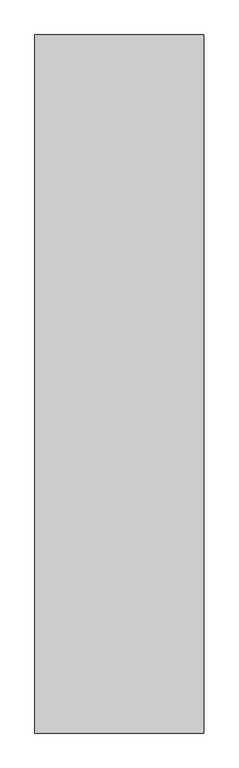
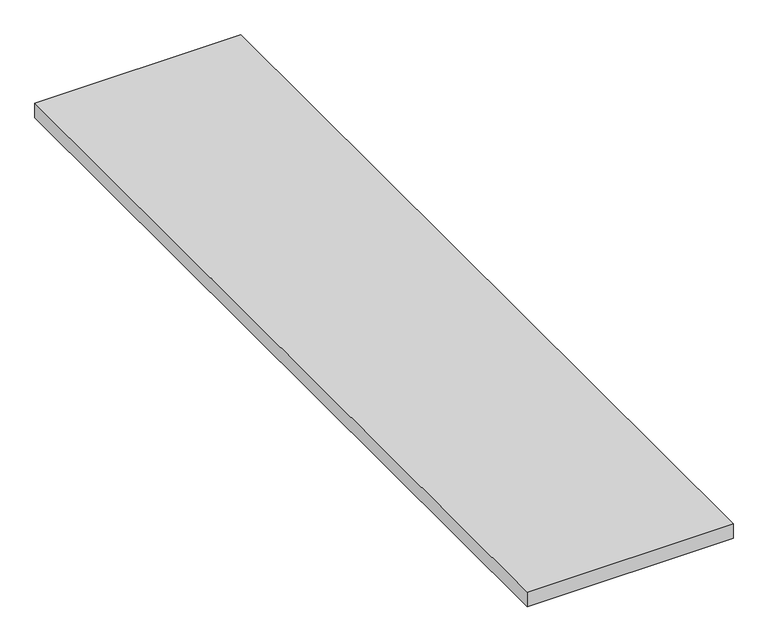
"""IFC4 building model written with IfcOpenShell, lengths in millimetres: furniture geometry."""

import ifcopenshell
import ifcopenshell.guid

model = None  # the IFC model being written
_history = None  # IfcOwnerHistory: only IFC2X3 demands one
_inside = {}  # id of a spatial element -> (the spatial element, [elements in it])
_under = {}  # id of a project, library or spatial element -> (it, [spatial elements below it])
_declared = {}  # id of a project -> (the project, [libraries it declares])
_typed = {}  # id of a type object -> (the type object, [elements of that type])
_made_of = {}  # id of a material, layer set ... -> (it, [elements and type objects made of it])


def new_model(schema):
    """Start an empty IFC model of exactly this schema.

    Asked for "IFC4X3", IfcOpenShell would pick the latest addendum, in which some entities
    have other attributes; the version numbers below select the first issue.
    IFC2X3 requires an IfcOwnerHistory on every rooted entity: one is made here for all.
    """
    global model, _history
    if schema == "IFC4X3":
        model = ifcopenshell.file(schema_version=(4, 3, 0, 0))
    else:
        model = ifcopenshell.file(schema=schema)
    _inside.clear()
    _under.clear()
    _declared.clear()
    _typed.clear()
    _made_of.clear()
    _history = None
    if model.schema == "IFC2X3":
        org = make("IfcOrganization", Name="unknown")
        user = make(
            "IfcPersonAndOrganization",
            ThePerson=make("IfcPerson", FamilyName="unknown"),
            TheOrganization=org,
        )
        app = make(
            "IfcApplication",
            ApplicationDeveloper=org,
            Version="unknown",
            ApplicationFullName="unknown",
            ApplicationIdentifier="unknown",
        )
        _history = make(
            "IfcOwnerHistory",
            OwningUser=user,
            OwningApplication=app,
            ChangeAction="ADDED",
            CreationDate=0,
        )
    return model


def make(cls, **values):
    """One entity of the class cls with the attributes given. An attribute that is None is left unset."""
    return model.create_entity(
        cls, **{name: value for name, value in values.items() if value is not None}
    )


def rooted(cls, **values):
    """An entity with a GlobalId (a new one), such as an element, a storey or a relation."""
    return make(cls, GlobalId=ifcopenshell.guid.new(), OwnerHistory=_history, **values)


def si_unit(unit_type, name, prefix=None):
    """IfcSIUnit, for example si_unit("LENGTHUNIT", "METRE", prefix="MILLI")."""
    return make("IfcSIUnit", UnitType=unit_type, Prefix=prefix, Name=name)


def assignment(units):
    """IfcUnitAssignment: the units of a project."""
    return None if units is None else make("IfcUnitAssignment", Units=units)


def point(xyz):
    """IfcCartesianPoint."""
    return None if xyz is None else make("IfcCartesianPoint", Coordinates=xyz)


def direction(xyz):
    """IfcDirection."""
    return None if xyz is None else make("IfcDirection", DirectionRatios=xyz)


def frame(location, z_axis=None, x_axis=None):
    """IfcAxis2Placement3D, a coordinate frame: its origin and axes. An axis left out is left unset."""
    return make(
        "IfcAxis2Placement3D",
        Location=point(location),
        Axis=direction(z_axis),
        RefDirection=direction(x_axis),
    )


def origin():
    """The frame at (0, 0, 0) with its axes left unset."""
    return frame((0.0, 0.0, 0.0))


def place(relative_to, where):
    """IfcLocalPlacement: puts the frame where relative to a parent placement (None: the world)."""
    return make(
        "IfcLocalPlacement", PlacementRelTo=relative_to, RelativePlacement=where
    )


def context(
    kind, dimensions, precision=None, world=None, true_north=None, identifier=None
):
    """IfcGeometricRepresentationContext, for example the 3D "Model" context."""
    return make(
        "IfcGeometricRepresentationContext",
        ContextIdentifier=identifier,
        ContextType=kind,
        CoordinateSpaceDimension=dimensions,
        Precision=precision,
        WorldCoordinateSystem=world,
        TrueNorth=true_north,
    )


def project(units=None, contexts=None):
    """IfcProject with its units and contexts."""
    return rooted(
        "IfcProject",
        Name="project",
        RepresentationContexts=contexts,
        UnitsInContext=assignment(units),
    )


def spatial(cls, under=None, at=None, **own):
    """A site, building, storey or space (cls), placed at a placement, below another one or the project."""
    s = rooted(cls, ObjectPlacement=at, **own)
    if under is not None:
        _under.setdefault(under.id(), (under, []))[1].append(s)
    return s


def polyline(points):
    """IfcPolyline through the points."""
    return make("IfcPolyline", Points=[point(p) for p in points])


def outline(outer, holes=None, kind="AREA"):
    """IfcArbitraryClosedProfileDef: a profile drawn as a closed curve; with holes, ...WithVoids."""
    if holes is None:
        return make("IfcArbitraryClosedProfileDef", ProfileType=kind, OuterCurve=outer)
    return make(
        "IfcArbitraryProfileDefWithVoids",
        ProfileType=kind,
        OuterCurve=outer,
        InnerCurves=holes,
    )


def extrude(swept, where, along, depth):
    """IfcExtrudedAreaSolid: the profile swept, set in the frame where, extruded along a direction by depth."""
    return make(
        "IfcExtrudedAreaSolid",
        SweptArea=swept,
        Position=where,
        ExtrudedDirection=direction(along),
        Depth=depth,
    )


def shape(context_of_items, identifier, shape_type, items):
    """IfcShapeRepresentation: the items that make up one representation, for example the "Body"."""
    return make(
        "IfcShapeRepresentation",
        ContextOfItems=context_of_items,
        RepresentationIdentifier=identifier,
        RepresentationType=shape_type,
        Items=items,
    )


def source(mapping_origin, context_of_items, identifier, shape_type, items):
    """IfcRepresentationMap: a shape defined once, which mapped items show again and again."""
    return make(
        "IfcRepresentationMap",
        MappingOrigin=mapping_origin,
        MappedRepresentation=shape(context_of_items, identifier, shape_type, items),
    )


def transform(
    local_origin,
    x_axis=None,
    y_axis=None,
    z_axis=None,
    scale=None,
    scale2=None,
    scale3=None,
    uniform=True,
):
    """IfcCartesianTransformationOperator3D, or its non-uniform kind. x_axis, y_axis, z_axis: its Axis1, 2, 3."""
    if uniform:
        return make(
            "IfcCartesianTransformationOperator3D",
            Axis1=direction(x_axis),
            Axis2=direction(y_axis),
            LocalOrigin=point(local_origin),
            Scale=scale,
            Axis3=direction(z_axis),
        )
    return make(
        "IfcCartesianTransformationOperator3DnonUniform",
        Axis1=direction(x_axis),
        Axis2=direction(y_axis),
        LocalOrigin=point(local_origin),
        Scale=scale,
        Axis3=direction(z_axis),
        Scale2=scale2,
        Scale3=scale3,
    )


def mapped(mapping_source, mapping_target):
    """IfcMappedItem: shows the shape of a source again, moved by a transform."""
    return make(
        "IfcMappedItem", MappingSource=mapping_source, MappingTarget=mapping_target
    )


def made_of(thing, what):
    """Note that an element or type object is made of a material, layer set ...; save() writes the relation."""
    if what is not None:
        _made_of.setdefault(what.id(), (what, []))[1].append(thing)
    return thing


def element(
    cls,
    number,
    at=None,
    inside=None,
    cuts=None,
    type_object=None,
    material=None,
    context=None,
    identifier="Body",
    shape_type=None,
    held_by="IfcProductDefinitionShape",
    body=None,
    shapes=None,
    **own,
):
    """One element of the class cls, such as IfcWall. Its Tag is "e" and its number.

    at: its placement. inside: the storey or other place that contains it. cuts: it is an
    opening in that element (IfcRelVoidsElement). A single representation is given by context,
    identifier, shape_type and body (its items); several are given by shapes. held_by: the class
    of the entity that holds the representations. save() writes the other relations.
    """
    e = rooted(cls, Tag="e%d" % number, ObjectPlacement=at, **own)
    if body is not None:
        shapes = [shape(context, identifier, shape_type, body)]
    if shapes is not None:
        e.Representation = make(held_by, Representations=shapes)
    if inside is not None:
        _inside.setdefault(inside.id(), (inside, []))[1].append(e)
    if cuts is not None:
        rooted(
            "IfcRelVoidsElement", RelatingBuildingElement=cuts, RelatedOpeningElement=e
        )
    if type_object is not None:
        _typed.setdefault(type_object.id(), (type_object, []))[1].append(e)
    return made_of(e, material)


def aggregate(whole, parts):
    """IfcRelAggregates: a whole, such as a stair, and the parts it consists of."""
    return rooted("IfcRelAggregates", RelatingObject=whole, RelatedObjects=parts)


def save(model, path):
    """Write the relations noted so far, then the file.

    IfcRelAggregates (storeys below a building ...), IfcRelContainedInSpatialStructure (elements
    in a storey), IfcRelDefinesByType, IfcRelAssociatesMaterial and IfcRelDeclares: one each for
    every whole, place, type object, material and project.
    """
    for whole, parts in _under.values():
        aggregate(whole, parts)
    for where, things in _inside.values():
        rooted(
            "IfcRelContainedInSpatialStructure",
            RelatedElements=things,
            RelatingStructure=where,
        )
    for kind, things in _typed.values():
        rooted("IfcRelDefinesByType", RelatedObjects=things, RelatingType=kind)
    for what, things in _made_of.values():
        rooted("IfcRelAssociatesMaterial", RelatedObjects=things, RelatingMaterial=what)
    for by, libraries in _declared.values():
        rooted("IfcRelDeclares", RelatingContext=by, RelatedDefinitions=libraries)
    model.write(path)


def furniture_4e8d7572(model_context):
    return source(origin(), model_context, "Body", "SweptSolid", [
        extrude(outline(polyline([(223297.2205986, 161927.3471581), (223297.2205986, 159122.2346581), (222619.0728488, 159122.2346581), (222619.0728488, 161927.3471581), (223297.2205986, 161927.3471581)])), frame((0.0, 0.0, 829.5592564), z_axis=(0.0, 0.0, 1.0), x_axis=(1.0, 0.0, 0.0)), (0.0, 0.0, 1.0), 50.8),
    ])


if __name__ == "__main__":
    model = new_model("IFC4")
    model_context = context("Model", 3, world=origin())
    ifc_project = project(units=[si_unit("LENGTHUNIT", "METRE", prefix="MILLI")], contexts=[model_context])
    site = spatial("IfcSite", under=ifc_project)
    building = spatial("IfcBuilding", under=site)
    placement = place(None, origin())
    furniture_shape = furniture_4e8d7572(model_context)
    element("IfcFurniture", 1, at=placement, inside=building, context=model_context, shape_type="MappedRepresentation", body=[
        mapped(furniture_shape, transform((0.0, 0.0, 0.0), x_axis=(1.0, 0.0, 0.0), y_axis=(0.0, 1.0, 0.0), z_axis=(0.0, 0.0, 1.0))),
    ])
    save(model, "model.ifc")
